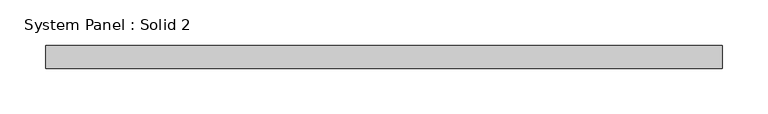
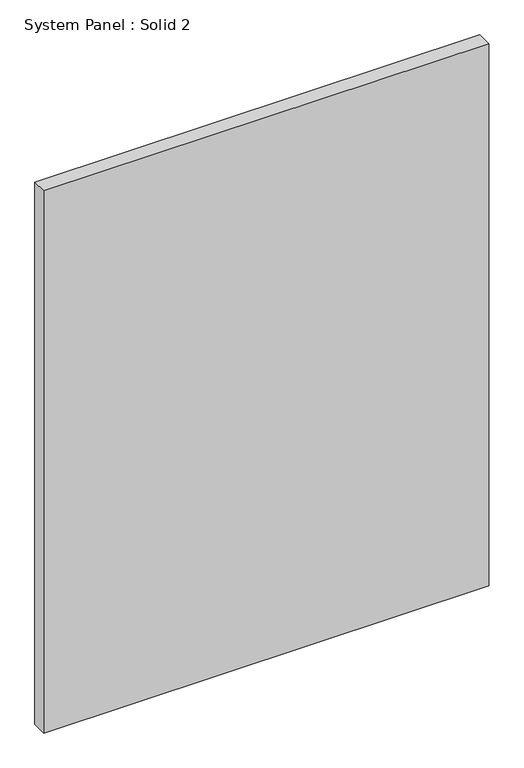
"""IFC4 building model written with IfcOpenShell, lengths in millimetres: plate geometry, System Panel : Solid 2."""

from ifc_helpers import new_model, si_unit, origin, origin_with_axes, place, context, project, spatial, polyline, outline, extrude, source, transform, mapped, element, save


def system_panel_solid_2_55c14a3a(model_context):
    return source(origin(), model_context, "Body", "SweptSolid", [
        extrude(outline(polyline([(369.9266332, -17.5), (-369.9266332, -17.5), (-369.9266332, 7.5), (369.9266332, 7.5), (369.9266332, -17.5)])), origin_with_axes(), (0.0, 0.0, 1.0), 952.9178002),
    ])


if __name__ == "__main__":
    model = new_model("IFC4")
    model_context = context("Model", 3, world=origin())
    ifc_project = project(units=[si_unit("LENGTHUNIT", "METRE", prefix="MILLI")], contexts=[model_context])
    site = spatial("IfcSite", under=ifc_project)
    building = spatial("IfcBuilding", under=site)
    placement = place(None, origin())
    system_panel_solid_2_shape = system_panel_solid_2_55c14a3a(model_context)
    element("IfcPlate", 1, ObjectType="System Panel : Solid 2", at=placement, inside=building, context=model_context, shape_type="MappedRepresentation", body=[
        mapped(system_panel_solid_2_shape, transform((0.0, 0.0, 0.0), x_axis=(1.0, 0.0, 0.0), y_axis=(0.0, 1.0, 0.0), z_axis=(0.0, 0.0, 1.0))),
    ])
    save(model, "model.ifc")
